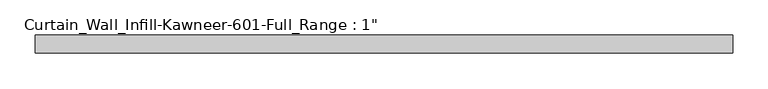
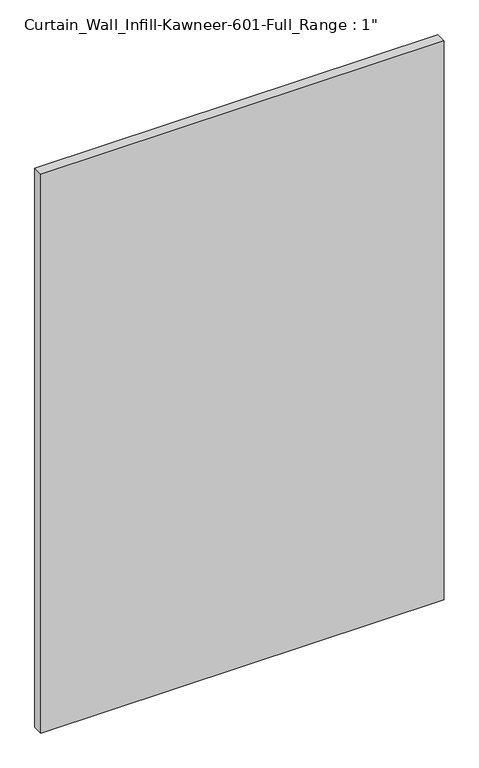
"""IFC4 building model written with IfcOpenShell, lengths in millimetres: plate geometry."""

import ifcopenshell
import ifcopenshell.guid

model = None  # the IFC model being written
_history = None  # IfcOwnerHistory: only IFC2X3 demands one
_inside = {}  # id of a spatial element -> (the spatial element, [elements in it])
_under = {}  # id of a project, library or spatial element -> (it, [spatial elements below it])
_declared = {}  # id of a project -> (the project, [libraries it declares])
_typed = {}  # id of a type object -> (the type object, [elements of that type])
_made_of = {}  # id of a material, layer set ... -> (it, [elements and type objects made of it])


def new_model(schema):
    """Start an empty IFC model of exactly this schema.

    Asked for "IFC4X3", IfcOpenShell would pick the latest addendum, in which some entities
    have other attributes; the version numbers below select the first issue.
    IFC2X3 requires an IfcOwnerHistory on every rooted entity: one is made here for all.
    """
    global model, _history
    if schema == "IFC4X3":
        model = ifcopenshell.file(schema_version=(4, 3, 0, 0))
    else:
        model = ifcopenshell.file(schema=schema)
    _inside.clear()
    _under.clear()
    _declared.clear()
    _typed.clear()
    _made_of.clear()
    _history = None
    if model.schema == "IFC2X3":
        org = make("IfcOrganization", Name="unknown")
        user = make(
            "IfcPersonAndOrganization",
            ThePerson=make("IfcPerson", FamilyName="unknown"),
            TheOrganization=org,
        )
        app = make(
            "IfcApplication",
            ApplicationDeveloper=org,
            Version="unknown",
            ApplicationFullName="unknown",
            ApplicationIdentifier="unknown",
        )
        _history = make(
            "IfcOwnerHistory",
            OwningUser=user,
            OwningApplication=app,
            ChangeAction="ADDED",
            CreationDate=0,
        )
    return model


def make(cls, **values):
    """One entity of the class cls with the attributes given. An attribute that is None is left unset."""
    return model.create_entity(
        cls, **{name: value for name, value in values.items() if value is not None}
    )


def rooted(cls, **values):
    """An entity with a GlobalId (a new one), such as an element, a storey or a relation."""
    return make(cls, GlobalId=ifcopenshell.guid.new(), OwnerHistory=_history, **values)


def si_unit(unit_type, name, prefix=None):
    """IfcSIUnit, for example si_unit("LENGTHUNIT", "METRE", prefix="MILLI")."""
    return make("IfcSIUnit", UnitType=unit_type, Prefix=prefix, Name=name)


def assignment(units):
    """IfcUnitAssignment: the units of a project."""
    return None if units is None else make("IfcUnitAssignment", Units=units)


def point(xyz):
    """IfcCartesianPoint."""
    return None if xyz is None else make("IfcCartesianPoint", Coordinates=xyz)


def direction(xyz):
    """IfcDirection."""
    return None if xyz is None else make("IfcDirection", DirectionRatios=xyz)


def frame(location, z_axis=None, x_axis=None):
    """IfcAxis2Placement3D, a coordinate frame: its origin and axes. An axis left out is left unset."""
    return make(
        "IfcAxis2Placement3D",
        Location=point(location),
        Axis=direction(z_axis),
        RefDirection=direction(x_axis),
    )


def origin():
    """The frame at (0, 0, 0) with its axes left unset."""
    return frame((0.0, 0.0, 0.0))


def origin_with_axes():
    """The frame at (0, 0, 0) with the z axis (0, 0, 1) and the x axis (1, 0, 0) written out."""
    return frame((0.0, 0.0, 0.0), z_axis=(0.0, 0.0, 1.0), x_axis=(1.0, 0.0, 0.0))


def place(relative_to, where):
    """IfcLocalPlacement: puts the frame where relative to a parent placement (None: the world)."""
    return make(
        "IfcLocalPlacement", PlacementRelTo=relative_to, RelativePlacement=where
    )


def context(
    kind, dimensions, precision=None, world=None, true_north=None, identifier=None
):
    """IfcGeometricRepresentationContext, for example the 3D "Model" context."""
    return make(
        "IfcGeometricRepresentationContext",
        ContextIdentifier=identifier,
        ContextType=kind,
        CoordinateSpaceDimension=dimensions,
        Precision=precision,
        WorldCoordinateSystem=world,
        TrueNorth=true_north,
    )


def project(units=None, contexts=None):
    """IfcProject with its units and contexts."""
    return rooted(
        "IfcProject",
        Name="project",
        RepresentationContexts=contexts,
        UnitsInContext=assignment(units),
    )


def spatial(cls, under=None, at=None, **own):
    """A site, building, storey or space (cls), placed at a placement, below another one or the project."""
    s = rooted(cls, ObjectPlacement=at, **own)
    if under is not None:
        _under.setdefault(under.id(), (under, []))[1].append(s)
    return s


def polyline(points):
    """IfcPolyline through the points."""
    return make("IfcPolyline", Points=[point(p) for p in points])


def outline(outer, holes=None, kind="AREA"):
    """IfcArbitraryClosedProfileDef: a profile drawn as a closed curve; with holes, ...WithVoids."""
    if holes is None:
        return make("IfcArbitraryClosedProfileDef", ProfileType=kind, OuterCurve=outer)
    return make(
        "IfcArbitraryProfileDefWithVoids",
        ProfileType=kind,
        OuterCurve=outer,
        InnerCurves=holes,
    )


def extrude(swept, where, along, depth):
    """IfcExtrudedAreaSolid: the profile swept, set in the frame where, extruded along a direction by depth."""
    return make(
        "IfcExtrudedAreaSolid",
        SweptArea=swept,
        Position=where,
        ExtrudedDirection=direction(along),
        Depth=depth,
    )


def shape(context_of_items, identifier, shape_type, items):
    """IfcShapeRepresentation: the items that make up one representation, for example the "Body"."""
    return make(
        "IfcShapeRepresentation",
        ContextOfItems=context_of_items,
        RepresentationIdentifier=identifier,
        RepresentationType=shape_type,
        Items=items,
    )


def source(mapping_origin, context_of_items, identifier, shape_type, items):
    """IfcRepresentationMap: a shape defined once, which mapped items show again and again."""
    return make(
        "IfcRepresentationMap",
        MappingOrigin=mapping_origin,
        MappedRepresentation=shape(context_of_items, identifier, shape_type, items),
    )


def transform(
    local_origin,
    x_axis=None,
    y_axis=None,
    z_axis=None,
    scale=None,
    scale2=None,
    scale3=None,
    uniform=True,
):
    """IfcCartesianTransformationOperator3D, or its non-uniform kind. x_axis, y_axis, z_axis: its Axis1, 2, 3."""
    if uniform:
        return make(
            "IfcCartesianTransformationOperator3D",
            Axis1=direction(x_axis),
            Axis2=direction(y_axis),
            LocalOrigin=point(local_origin),
            Scale=scale,
            Axis3=direction(z_axis),
        )
    return make(
        "IfcCartesianTransformationOperator3DnonUniform",
        Axis1=direction(x_axis),
        Axis2=direction(y_axis),
        LocalOrigin=point(local_origin),
        Scale=scale,
        Axis3=direction(z_axis),
        Scale2=scale2,
        Scale3=scale3,
    )


def mapped(mapping_source, mapping_target):
    """IfcMappedItem: shows the shape of a source again, moved by a transform."""
    return make(
        "IfcMappedItem", MappingSource=mapping_source, MappingTarget=mapping_target
    )


def made_of(thing, what):
    """Note that an element or type object is made of a material, layer set ...; save() writes the relation."""
    if what is not None:
        _made_of.setdefault(what.id(), (what, []))[1].append(thing)
    return thing


def element(
    cls,
    number,
    at=None,
    inside=None,
    cuts=None,
    type_object=None,
    material=None,
    context=None,
    identifier="Body",
    shape_type=None,
    held_by="IfcProductDefinitionShape",
    body=None,
    shapes=None,
    **own,
):
    """One element of the class cls, such as IfcWall. Its Tag is "e" and its number.

    at: its placement. inside: the storey or other place that contains it. cuts: it is an
    opening in that element (IfcRelVoidsElement). A single representation is given by context,
    identifier, shape_type and body (its items); several are given by shapes. held_by: the class
    of the entity that holds the representations. save() writes the other relations.
    """
    e = rooted(cls, Tag="e%d" % number, ObjectPlacement=at, **own)
    if body is not None:
        shapes = [shape(context, identifier, shape_type, body)]
    if shapes is not None:
        e.Representation = make(held_by, Representations=shapes)
    if inside is not None:
        _inside.setdefault(inside.id(), (inside, []))[1].append(e)
    if cuts is not None:
        rooted(
            "IfcRelVoidsElement", RelatingBuildingElement=cuts, RelatedOpeningElement=e
        )
    if type_object is not None:
        _typed.setdefault(type_object.id(), (type_object, []))[1].append(e)
    return made_of(e, material)


def aggregate(whole, parts):
    """IfcRelAggregates: a whole, such as a stair, and the parts it consists of."""
    return rooted("IfcRelAggregates", RelatingObject=whole, RelatedObjects=parts)


def save(model, path):
    """Write the relations noted so far, then the file.

    IfcRelAggregates (storeys below a building ...), IfcRelContainedInSpatialStructure (elements
    in a storey), IfcRelDefinesByType, IfcRelAssociatesMaterial and IfcRelDeclares: one each for
    every whole, place, type object, material and project.
    """
    for whole, parts in _under.values():
        aggregate(whole, parts)
    for where, things in _inside.values():
        rooted(
            "IfcRelContainedInSpatialStructure",
            RelatedElements=things,
            RelatingStructure=where,
        )
    for kind, things in _typed.values():
        rooted("IfcRelDefinesByType", RelatedObjects=things, RelatingType=kind)
    for what, things in _made_of.values():
        rooted("IfcRelAssociatesMaterial", RelatedObjects=things, RelatingMaterial=what)
    for by, libraries in _declared.values():
        rooted("IfcRelDeclares", RelatingContext=by, RelatedDefinitions=libraries)
    model.write(path)


def plate_926ade89(model_context):
    return source(origin(), model_context, "Body", "SweptSolid", [
        extrude(outline(polyline([(-492.125, -12.7), (-492.125, 12.7), (492.125, 12.7), (492.125, -12.7), (-492.125, -12.7)])), origin_with_axes(), (0.0, 0.0, 1.0), 1441.45),
    ])


if __name__ == "__main__":
    model = new_model("IFC4")
    model_context = context("Model", 3, world=origin())
    ifc_project = project(units=[si_unit("LENGTHUNIT", "METRE", prefix="MILLI")], contexts=[model_context])
    site = spatial("IfcSite", under=ifc_project)
    building = spatial("IfcBuilding", under=site)
    placement = place(None, origin())
    plate_shape = plate_926ade89(model_context)
    element("IfcPlate", 1, ObjectType="Curtain_Wall_Infill-Kawneer-601-Full_Range : 1\"", at=placement, inside=building, context=model_context, shape_type="MappedRepresentation", body=[
        mapped(plate_shape, transform((0.0, 0.0, 0.0), x_axis=(1.0, 0.0, 0.0), y_axis=(0.0, 1.0, 0.0), z_axis=(0.0, 0.0, 1.0))),
    ])
    save(model, "model.ifc")
